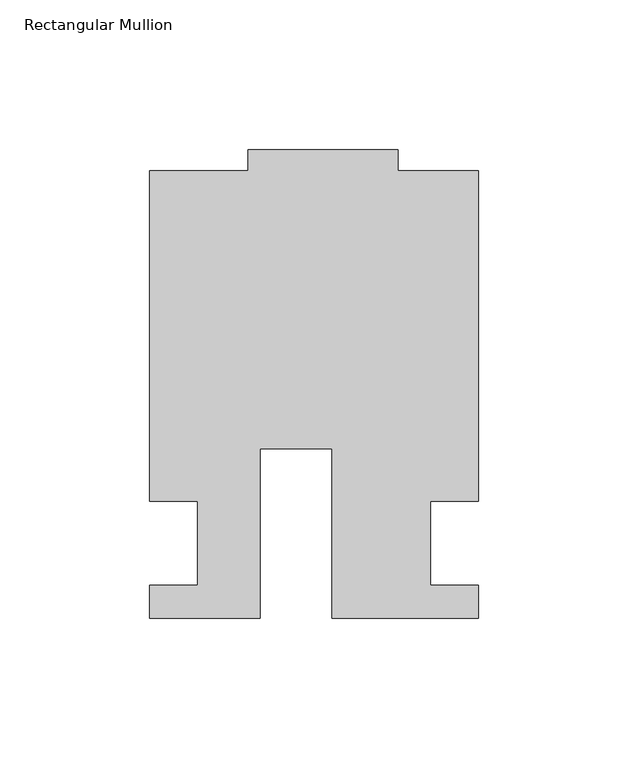
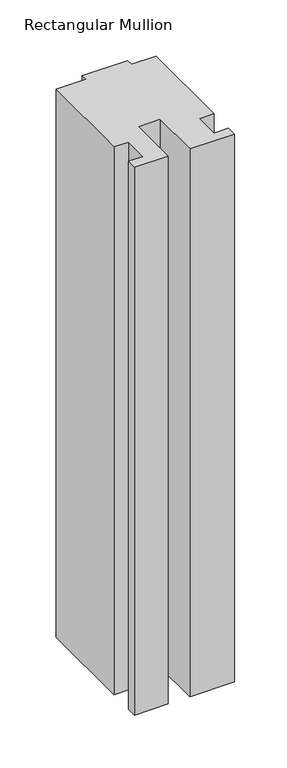
"""IFC4 building model written with IfcOpenShell, lengths in millimetres: member geometry, Rectangular Mullion."""

import ifcopenshell
import ifcopenshell.guid

model = None  # the IFC model being written
_history = None  # IfcOwnerHistory: only IFC2X3 demands one
_inside = {}  # id of a spatial element -> (the spatial element, [elements in it])
_under = {}  # id of a project, library or spatial element -> (it, [spatial elements below it])
_declared = {}  # id of a project -> (the project, [libraries it declares])
_typed = {}  # id of a type object -> (the type object, [elements of that type])
_made_of = {}  # id of a material, layer set ... -> (it, [elements and type objects made of it])


def new_model(schema):
    """Start an empty IFC model of exactly this schema.

    Asked for "IFC4X3", IfcOpenShell would pick the latest addendum, in which some entities
    have other attributes; the version numbers below select the first issue.
    IFC2X3 requires an IfcOwnerHistory on every rooted entity: one is made here for all.
    """
    global model, _history
    if schema == "IFC4X3":
        model = ifcopenshell.file(schema_version=(4, 3, 0, 0))
    else:
        model = ifcopenshell.file(schema=schema)
    _inside.clear()
    _under.clear()
    _declared.clear()
    _typed.clear()
    _made_of.clear()
    _history = None
    if model.schema == "IFC2X3":
        org = make("IfcOrganization", Name="unknown")
        user = make(
            "IfcPersonAndOrganization",
            ThePerson=make("IfcPerson", FamilyName="unknown"),
            TheOrganization=org,
        )
        app = make(
            "IfcApplication",
            ApplicationDeveloper=org,
            Version="unknown",
            ApplicationFullName="unknown",
            ApplicationIdentifier="unknown",
        )
        _history = make(
            "IfcOwnerHistory",
            OwningUser=user,
            OwningApplication=app,
            ChangeAction="ADDED",
            CreationDate=0,
        )
    return model


def make(cls, **values):
    """One entity of the class cls with the attributes given. An attribute that is None is left unset."""
    return model.create_entity(
        cls, **{name: value for name, value in values.items() if value is not None}
    )


def rooted(cls, **values):
    """An entity with a GlobalId (a new one), such as an element, a storey or a relation."""
    return make(cls, GlobalId=ifcopenshell.guid.new(), OwnerHistory=_history, **values)


def si_unit(unit_type, name, prefix=None):
    """IfcSIUnit, for example si_unit("LENGTHUNIT", "METRE", prefix="MILLI")."""
    return make("IfcSIUnit", UnitType=unit_type, Prefix=prefix, Name=name)


def assignment(units):
    """IfcUnitAssignment: the units of a project."""
    return None if units is None else make("IfcUnitAssignment", Units=units)


def point(xyz):
    """IfcCartesianPoint."""
    return None if xyz is None else make("IfcCartesianPoint", Coordinates=xyz)


def direction(xyz):
    """IfcDirection."""
    return None if xyz is None else make("IfcDirection", DirectionRatios=xyz)


def frame(location, z_axis=None, x_axis=None):
    """IfcAxis2Placement3D, a coordinate frame: its origin and axes. An axis left out is left unset."""
    return make(
        "IfcAxis2Placement3D",
        Location=point(location),
        Axis=direction(z_axis),
        RefDirection=direction(x_axis),
    )


def origin():
    """The frame at (0, 0, 0) with its axes left unset."""
    return frame((0.0, 0.0, 0.0))


def place(relative_to, where):
    """IfcLocalPlacement: puts the frame where relative to a parent placement (None: the world)."""
    return make(
        "IfcLocalPlacement", PlacementRelTo=relative_to, RelativePlacement=where
    )


def context(
    kind, dimensions, precision=None, world=None, true_north=None, identifier=None
):
    """IfcGeometricRepresentationContext, for example the 3D "Model" context."""
    return make(
        "IfcGeometricRepresentationContext",
        ContextIdentifier=identifier,
        ContextType=kind,
        CoordinateSpaceDimension=dimensions,
        Precision=precision,
        WorldCoordinateSystem=world,
        TrueNorth=true_north,
    )


def project(units=None, contexts=None):
    """IfcProject with its units and contexts."""
    return rooted(
        "IfcProject",
        Name="project",
        RepresentationContexts=contexts,
        UnitsInContext=assignment(units),
    )


def spatial(cls, under=None, at=None, **own):
    """A site, building, storey or space (cls), placed at a placement, below another one or the project."""
    s = rooted(cls, ObjectPlacement=at, **own)
    if under is not None:
        _under.setdefault(under.id(), (under, []))[1].append(s)
    return s


def polyline(points):
    """IfcPolyline through the points."""
    return make("IfcPolyline", Points=[point(p) for p in points])


def outline(outer, holes=None, kind="AREA"):
    """IfcArbitraryClosedProfileDef: a profile drawn as a closed curve; with holes, ...WithVoids."""
    if holes is None:
        return make("IfcArbitraryClosedProfileDef", ProfileType=kind, OuterCurve=outer)
    return make(
        "IfcArbitraryProfileDefWithVoids",
        ProfileType=kind,
        OuterCurve=outer,
        InnerCurves=holes,
    )


def extrude(swept, where, along, depth):
    """IfcExtrudedAreaSolid: the profile swept, set in the frame where, extruded along a direction by depth."""
    return make(
        "IfcExtrudedAreaSolid",
        SweptArea=swept,
        Position=where,
        ExtrudedDirection=direction(along),
        Depth=depth,
    )


def shape(context_of_items, identifier, shape_type, items):
    """IfcShapeRepresentation: the items that make up one representation, for example the "Body"."""
    return make(
        "IfcShapeRepresentation",
        ContextOfItems=context_of_items,
        RepresentationIdentifier=identifier,
        RepresentationType=shape_type,
        Items=items,
    )


def source(mapping_origin, context_of_items, identifier, shape_type, items):
    """IfcRepresentationMap: a shape defined once, which mapped items show again and again."""
    return make(
        "IfcRepresentationMap",
        MappingOrigin=mapping_origin,
        MappedRepresentation=shape(context_of_items, identifier, shape_type, items),
    )


def transform(
    local_origin,
    x_axis=None,
    y_axis=None,
    z_axis=None,
    scale=None,
    scale2=None,
    scale3=None,
    uniform=True,
):
    """IfcCartesianTransformationOperator3D, or its non-uniform kind. x_axis, y_axis, z_axis: its Axis1, 2, 3."""
    if uniform:
        return make(
            "IfcCartesianTransformationOperator3D",
            Axis1=direction(x_axis),
            Axis2=direction(y_axis),
            LocalOrigin=point(local_origin),
            Scale=scale,
            Axis3=direction(z_axis),
        )
    return make(
        "IfcCartesianTransformationOperator3DnonUniform",
        Axis1=direction(x_axis),
        Axis2=direction(y_axis),
        LocalOrigin=point(local_origin),
        Scale=scale,
        Axis3=direction(z_axis),
        Scale2=scale2,
        Scale3=scale3,
    )


def mapped(mapping_source, mapping_target):
    """IfcMappedItem: shows the shape of a source again, moved by a transform."""
    return make(
        "IfcMappedItem", MappingSource=mapping_source, MappingTarget=mapping_target
    )


def made_of(thing, what):
    """Note that an element or type object is made of a material, layer set ...; save() writes the relation."""
    if what is not None:
        _made_of.setdefault(what.id(), (what, []))[1].append(thing)
    return thing


def element(
    cls,
    number,
    at=None,
    inside=None,
    cuts=None,
    type_object=None,
    material=None,
    context=None,
    identifier="Body",
    shape_type=None,
    held_by="IfcProductDefinitionShape",
    body=None,
    shapes=None,
    **own,
):
    """One element of the class cls, such as IfcWall. Its Tag is "e" and its number.

    at: its placement. inside: the storey or other place that contains it. cuts: it is an
    opening in that element (IfcRelVoidsElement). A single representation is given by context,
    identifier, shape_type and body (its items); several are given by shapes. held_by: the class
    of the entity that holds the representations. save() writes the other relations.
    """
    e = rooted(cls, Tag="e%d" % number, ObjectPlacement=at, **own)
    if body is not None:
        shapes = [shape(context, identifier, shape_type, body)]
    if shapes is not None:
        e.Representation = make(held_by, Representations=shapes)
    if inside is not None:
        _inside.setdefault(inside.id(), (inside, []))[1].append(e)
    if cuts is not None:
        rooted(
            "IfcRelVoidsElement", RelatingBuildingElement=cuts, RelatedOpeningElement=e
        )
    if type_object is not None:
        _typed.setdefault(type_object.id(), (type_object, []))[1].append(e)
    return made_of(e, material)


def aggregate(whole, parts):
    """IfcRelAggregates: a whole, such as a stair, and the parts it consists of."""
    return rooted("IfcRelAggregates", RelatingObject=whole, RelatedObjects=parts)


def save(model, path):
    """Write the relations noted so far, then the file.

    IfcRelAggregates (storeys below a building ...), IfcRelContainedInSpatialStructure (elements
    in a storey), IfcRelDefinesByType, IfcRelAssociatesMaterial and IfcRelDeclares: one each for
    every whole, place, type object, material and project.
    """
    for whole, parts in _under.values():
        aggregate(whole, parts)
    for where, things in _inside.values():
        rooted(
            "IfcRelContainedInSpatialStructure",
            RelatedElements=things,
            RelatingStructure=where,
        )
    for kind, things in _typed.values():
        rooted("IfcRelDefinesByType", RelatedObjects=things, RelatingType=kind)
    for what, things in _made_of.values():
        rooted("IfcRelAssociatesMaterial", RelatedObjects=things, RelatingMaterial=what)
    for by, libraries in _declared.values():
        rooted("IfcRelDeclares", RelatingContext=by, RelatedDefinitions=libraries)
    model.write(path)


def rectangular_mullion_8cab0c1e(model_context):
    return source(origin(), model_context, "Body", "SweptSolid", [
        extrude(outline(polyline([(-24.0309529, -25.0), (-60.9971154, -25.0), (-60.9971154, -14.0), (-44.9942308, -14.0), (-44.9942308, 13.9998907), (-60.9971154, 13.9998907), (-60.9971154, 124.4999439), (-27.9971154, 124.4999439), (-27.9971154, 131.5), (22.0028846, 131.5), (22.0028846, 124.5), (49.0, 124.5), (49.0, 14.0), (33.0, 14.0), (33.0, -14.0), (49.0, -14.0), (49.0, -25.0), (0.0028846, -25.0), (0.0028846, 31.6008577), (-24.0309529, 31.6008577), (-24.0309529, -25.0)])), frame((0.0, 0.0, -637.636115), z_axis=(0.0, 0.0, 1.0), x_axis=(1.0, 0.0, 0.0)), (0.0, 0.0, 1.0), 637.636115),
    ])


if __name__ == "__main__":
    model = new_model("IFC4")
    model_context = context("Model", 3, world=origin())
    ifc_project = project(units=[si_unit("LENGTHUNIT", "METRE", prefix="MILLI")], contexts=[model_context])
    site = spatial("IfcSite", under=ifc_project)
    building = spatial("IfcBuilding", under=site)
    placement = place(None, origin())
    rectangular_mullion_shape = rectangular_mullion_8cab0c1e(model_context)
    element("IfcMember", 1, ObjectType="Rectangular Mullion", at=placement, inside=building, context=model_context, shape_type="MappedRepresentation", body=[
        mapped(rectangular_mullion_shape, transform((0.0, 0.0, 0.0), x_axis=(1.0, 0.0, 0.0), y_axis=(0.0, 1.0, 0.0), z_axis=(0.0, 0.0, 1.0))),
    ])
    save(model, "model.ifc")
